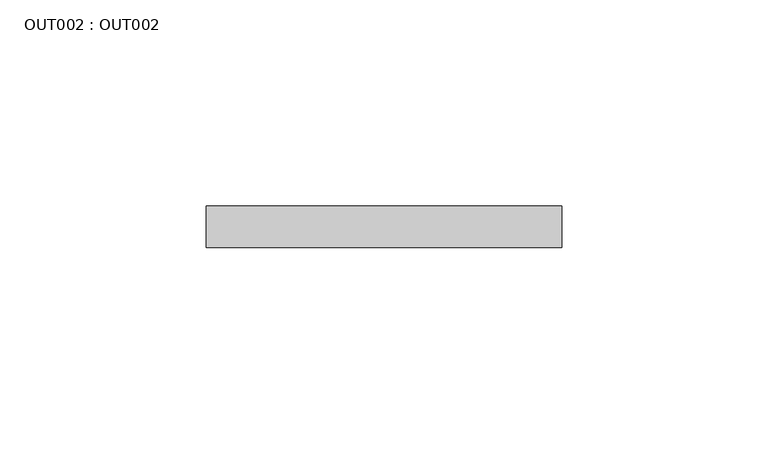
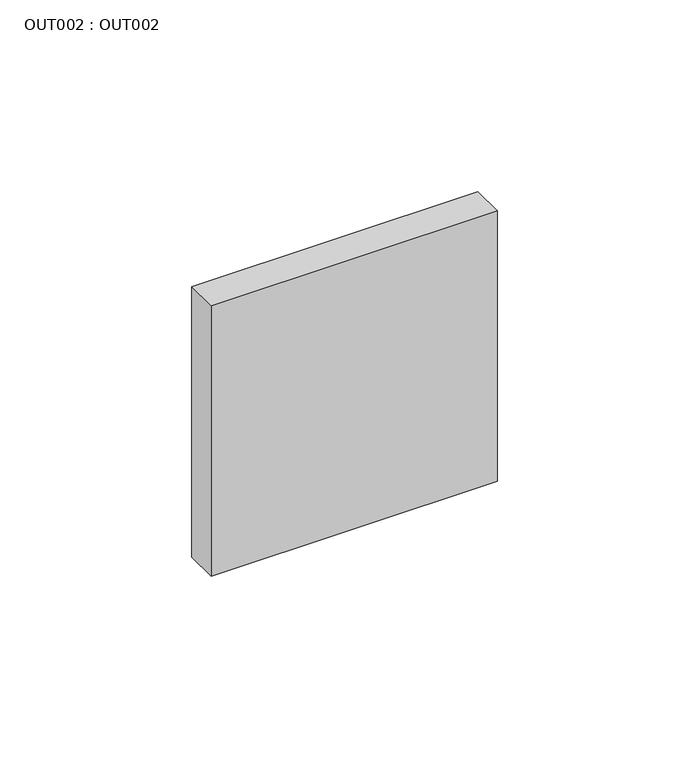
"""IFC4 building model written with IfcOpenShell, lengths in millimetres: proxy geometry, OUT002 : OUT002."""

from ifc_helpers import new_model, si_unit, frame, origin, place, context, project, spatial, polyline, outline, extrude, source, transform, mapped, element, save


def out002_out002_bcfc6e14(model_context):
    return source(origin(), model_context, "Body", "SweptSolid", [
        extrude(outline(polyline([(43.0000007, 0.0), (43.0000007, -10.0000005), (-43.0000007, -10.0000005), (-43.0000007, 0.0), (43.0000007, 0.0)])), frame((0.0, 0.0, -43.0000007), z_axis=(0.0, 0.0, 1.0), x_axis=(1.0, 0.0, 0.0)), (0.0, 0.0, 1.0), 86.0000014),
    ])


if __name__ == "__main__":
    model = new_model("IFC4")
    model_context = context("Model", 3, world=origin())
    ifc_project = project(units=[si_unit("LENGTHUNIT", "METRE", prefix="MILLI")], contexts=[model_context])
    site = spatial("IfcSite", under=ifc_project)
    building = spatial("IfcBuilding", under=site)
    placement = place(None, origin())
    out002_out002_shape = out002_out002_bcfc6e14(model_context)
    element("IfcBuildingElementProxy", 1, Name="OUT002 : OUT002", ObjectType="OUT002 : OUT002", at=placement, inside=building, context=model_context, shape_type="MappedRepresentation", body=[
        mapped(out002_out002_shape, transform((0.0, 0.0, 0.0), x_axis=(1.0, 0.0, 0.0), y_axis=(0.0, 1.0, 0.0), z_axis=(0.0, 0.0, 1.0))),
    ])
    save(model, "model.ifc")
